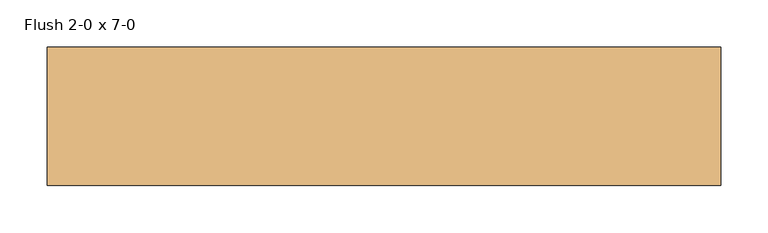
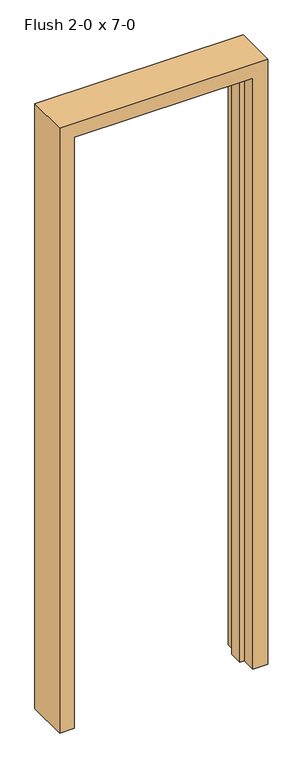
"""IFC4 building model written with IfcOpenShell, lengths in millimetres: door geometry, Flush 2-0 x 7-0."""

from ifc_helpers import new_model, si_unit, frame, origin, place, context, project, spatial, polyline, outline, extrude, source, transform, mapped, element, save


def flush_2_0_x_7_0_d6ecb5bd(model_context):
    return source(origin(), model_context, "Body", "SweptSolid", [
        extrude(outline(polyline([(0.0, 288.925), (0.0, 304.8), (2133.6, 304.8), (2133.6, -304.8), (0.0, -304.8), (0.0, -288.925), (2117.725, -288.925), (2117.725, 288.925), (0.0, 288.925)])), frame((0.0, -15.875, 0.0), z_axis=(0.0, 1.0, 0.0), x_axis=(0.0, 0.0, 1.0)), (0.0, 0.0, 1.0), 47.625),
        extrude(outline(polyline([(0.0, 304.8), (0.0, 355.6), (2184.4, 355.6), (2184.4, -355.6), (0.0, -355.6), (0.0, -304.8), (2133.6, -304.8), (2133.6, 304.8), (0.0, 304.8)])), frame((0.0, -65.0875, 0.0), z_axis=(0.0, 1.0, 0.0), x_axis=(0.0, 0.0, 1.0)), (0.0, 0.0, 1.0), 146.05),
    ])


if __name__ == "__main__":
    model = new_model("IFC4")
    model_context = context("Model", 3, world=origin())
    ifc_project = project(units=[si_unit("LENGTHUNIT", "METRE", prefix="MILLI")], contexts=[model_context])
    site = spatial("IfcSite", under=ifc_project)
    building = spatial("IfcBuilding", under=site)
    placement = place(None, origin())
    flush_2_0_x_7_0_shape = flush_2_0_x_7_0_d6ecb5bd(model_context)
    element("IfcDoor", 1, ObjectType="Flush 2-0 x 7-0", at=placement, inside=building, context=model_context, shape_type="MappedRepresentation", body=[
        mapped(flush_2_0_x_7_0_shape, transform((0.0, 0.0, 0.0), x_axis=(1.0, 0.0, 0.0), y_axis=(0.0, 1.0, 0.0), z_axis=(0.0, 0.0, 1.0))),
    ])
    save(model, "model.ifc")
